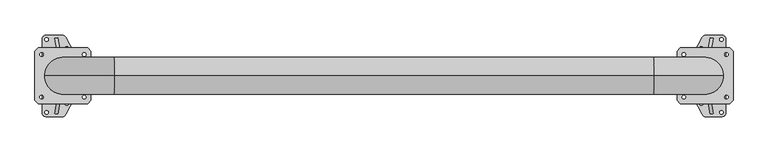
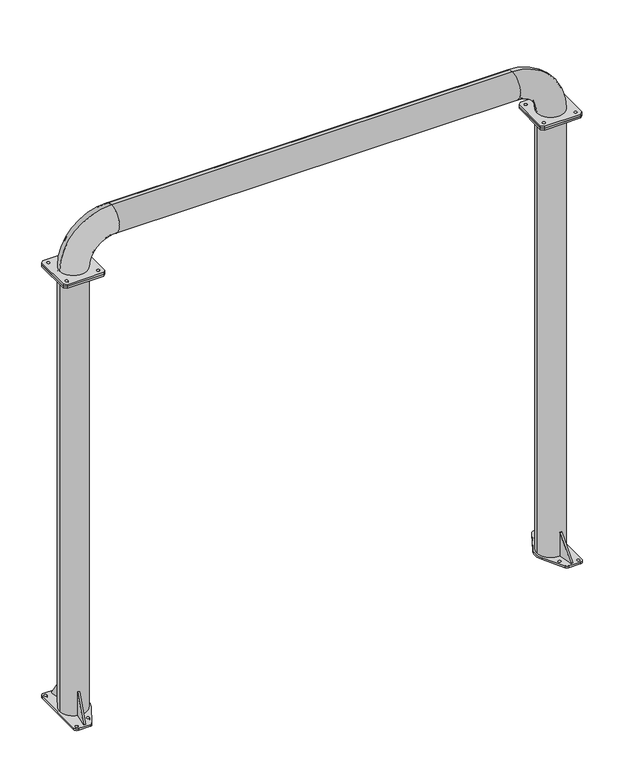
"""IFC4 building model written with IfcOpenShell, lengths in millimetres: proxy geometry."""

from ifc_helpers import new_model, si_unit, point, frame, frame_2d, origin, origin_with_axes, origin_2d, place, context, project, spatial, polyline, circle_curve, ellipse_curve, trimmed, segment, composite_curve, outline, extrude, source, transform, mapped, element, save
from ifc_brep_helpers import plane_surface, cylinder_surface, revolved_surface, advanced_brep


def generic_models_d700bc56(model_context):
    return source(origin(), model_context, "Body", "SolidModel", [
        extrude(outline(composite_curve([segment(polyline([(2869.9864553, 182.5), (2938.0, 182.5)]), True, "CONTINUOUS"), segment(trimmed(circle_curve(frame_2d((2938.0, 162.5)), 20.0), [point((2938.0, 182.5))], [point((2958.0, 162.5))], False, "CARTESIAN"), True, "CONTINUOUS"), segment(polyline([(2958.0, 162.5), (2958.0, -162.5)]), True, "CONTINUOUS"), segment(trimmed(circle_curve(frame_2d((2938.0, -162.5)), 20.0), [point((2958.0, -162.5))], [point((2938.0, -182.5))], False, "CARTESIAN"), True, "CONTINUOUS"), segment(polyline([(2938.0, -182.5), (2869.9347584, -182.5)]), True, "CONTINUOUS"), segment(trimmed(circle_curve(frame_2d((2869.9347584, -162.5)), 20.0), [point((2869.9347584, -182.5))], [point((2852.3436055, -172.0158468))], False, "CARTESIAN"), True, "CONTINUOUS"), segment(polyline([(2852.3436055, -172.0158468), (2784.6472441, -46.8712248)]), True, "CONTINUOUS"), segment(trimmed(circle_curve(frame_2d((2865.0, -0.0477839)), 93.0), [point((2784.6472441, -46.8712248))], [point((2784.6472441, 46.775657))], False, "CARTESIAN"), True, "CONTINUOUS"), segment(polyline([(2784.6472441, 46.775657), (2852.3953024, 172.0158468)]), True, "CONTINUOUS"), segment(trimmed(circle_curve(frame_2d((2869.9864553, 162.5)), 20.0), [point((2852.3953024, 172.0158468))], [point((2869.9864553, 182.5))], False, "CARTESIAN"), True, "CONTINUOUS")], self_intersect=False), holes=[composite_curve([segment(trimmed(circle_curve(frame_2d((2938.0, 162.5)), 8.0), [point((2930.0, 162.5))], [point((2946.0, 162.5))], True, "CARTESIAN"), True, "CONTINUOUS"), segment(trimmed(circle_curve(frame_2d((2938.0, 162.5)), 8.0), [point((2946.0, 162.5))], [point((2930.0, 162.5))], True, "CARTESIAN"), True, "CONTINUOUS")], self_intersect=False), composite_curve([segment(trimmed(circle_curve(frame_2d((2938.0, -162.5)), 8.0), [point((2930.0, -162.5))], [point((2946.0, -162.5))], True, "CARTESIAN"), True, "CONTINUOUS"), segment(trimmed(circle_curve(frame_2d((2938.0, -162.5)), 8.0), [point((2946.0, -162.5))], [point((2930.0, -162.5))], True, "CARTESIAN"), True, "CONTINUOUS")], self_intersect=False), composite_curve([segment(trimmed(circle_curve(frame_2d((2848.0, 123.0)), 8.0), [point((2840.0, 123.0))], [point((2856.0, 123.0))], True, "CARTESIAN"), True, "CONTINUOUS"), segment(trimmed(circle_curve(frame_2d((2848.0, 123.0)), 8.0), [point((2856.0, 123.0))], [point((2840.0, 123.0))], True, "CARTESIAN"), True, "CONTINUOUS")], self_intersect=False), composite_curve([segment(trimmed(circle_curve(frame_2d((2848.0, -123.0)), 8.0), [point((2840.0, -123.0))], [point((2856.0, -123.0))], True, "CARTESIAN"), True, "CONTINUOUS"), segment(trimmed(circle_curve(frame_2d((2848.0, -123.0)), 8.0), [point((2856.0, -123.0))], [point((2840.0, -123.0))], True, "CARTESIAN"), True, "CONTINUOUS")], self_intersect=False)]), origin_with_axes(), (0.0, 0.0, 1.0), 12.0),
        extrude(outline(composite_curve([segment(trimmed(circle_curve(frame_2d((-4.9864553, 162.5)), 20.0), [point((-4.9864553, 182.5))], [point((12.6046976, 172.0158468))], False, "CARTESIAN"), True, "CONTINUOUS"), segment(polyline([(12.6046976, 172.0158468), (80.3527559, 46.775657)]), True, "CONTINUOUS"), segment(trimmed(circle_curve(frame_2d((0.0, -0.0477839)), 93.0), [point((80.3527559, 46.775657))], [point((80.3527559, -46.8712248))], False, "CARTESIAN"), True, "CONTINUOUS"), segment(polyline([(80.3527559, -46.8712248), (12.6563945, -172.0158468)]), True, "CONTINUOUS"), segment(trimmed(circle_curve(frame_2d((-4.9347584, -162.5)), 20.0), [point((12.6563945, -172.0158468))], [point((-4.9347584, -182.5))], False, "CARTESIAN"), True, "CONTINUOUS"), segment(polyline([(-4.9347584, -182.5), (-73.0, -182.5)]), True, "CONTINUOUS"), segment(trimmed(circle_curve(frame_2d((-73.0, -162.5)), 20.0), [point((-73.0, -182.5))], [point((-93.0, -162.5))], False, "CARTESIAN"), True, "CONTINUOUS"), segment(polyline([(-93.0, -162.5), (-93.0, 162.5)]), True, "CONTINUOUS"), segment(trimmed(circle_curve(frame_2d((-73.0, 162.5)), 20.0), [point((-93.0, 162.5))], [point((-73.0, 182.5))], False, "CARTESIAN"), True, "CONTINUOUS"), segment(polyline([(-73.0, 182.5), (-4.9864553, 182.5)]), True, "CONTINUOUS")], self_intersect=False), holes=[composite_curve([segment(trimmed(circle_curve(frame_2d((17.0, 123.0)), 8.0), [point((9.0, 123.0))], [point((25.0, 123.0))], True, "CARTESIAN"), True, "CONTINUOUS"), segment(trimmed(circle_curve(frame_2d((17.0, 123.0)), 8.0), [point((25.0, 123.0))], [point((9.0, 123.0))], True, "CARTESIAN"), True, "CONTINUOUS")], self_intersect=False), composite_curve([segment(trimmed(circle_curve(frame_2d((17.0, -123.0)), 8.0), [point((9.0, -123.0))], [point((25.0, -123.0))], True, "CARTESIAN"), True, "CONTINUOUS"), segment(trimmed(circle_curve(frame_2d((17.0, -123.0)), 8.0), [point((25.0, -123.0))], [point((9.0, -123.0))], True, "CARTESIAN"), True, "CONTINUOUS")], self_intersect=False), composite_curve([segment(trimmed(circle_curve(frame_2d((-73.0, -162.5)), 8.0), [point((-81.0, -162.5))], [point((-65.0, -162.5))], True, "CARTESIAN"), True, "CONTINUOUS"), segment(trimmed(circle_curve(frame_2d((-73.0, -162.5)), 8.0), [point((-65.0, -162.5))], [point((-81.0, -162.5))], True, "CARTESIAN"), True, "CONTINUOUS")], self_intersect=False), composite_curve([segment(trimmed(circle_curve(frame_2d((-73.0, 162.5)), 8.0), [point((-81.0, 162.5))], [point((-65.0, 162.5))], True, "CARTESIAN"), True, "CONTINUOUS"), segment(trimmed(circle_curve(frame_2d((-73.0, 162.5)), 8.0), [point((-65.0, 162.5))], [point((-81.0, 162.5))], True, "CARTESIAN"), True, "CONTINUOUS")], self_intersect=False)]), origin_with_axes(), (0.0, 0.0, 1.0), 12.0),
        advanced_brep(
        [(2873.4197559, 82.0692251, 162.0), (2885.236419, 79.9796058, 162.0), (2885.2910421, 80.2893885, 162.0), (2873.473349, 82.3731666, 162.0), (2900.9193781, 168.9220863, 12.0), (2885.236419, 79.9796058, 12.0), (2873.4197559, 82.0692251, 12.0), (2889.101685, 171.0058644, 12.0)],
        [
            (0, 1, circle_curve(frame((2865.0, 0.0, 162.0), z_axis=(0.0, 0.0, -1.0), x_axis=(-1.0, 0.0, 0.0)), 82.5)),
            (1, 2),
            (2, 3),
            (3, 0),
            (4, 5),
            (5, 6, circle_curve(frame((2865.0, 0.0, 12.0), z_axis=(0.0, 0.0, 1.0), x_axis=(-1.0, 0.0, 0.0)), 82.5)),
            (6, 7),
            (7, 4),
            (6, 0),
            (3, 7),
            (5, 1),
            (4, 2),
        ],
        [
            plane_surface(frame((2900.9193781, 168.9220863, 162.0), z_axis=(0.0, 0.0, 1.0), x_axis=(-0.9848077530122148, 0.17364817766689236, 0.0))),
            plane_surface(frame((2900.9193781, 168.9220863, 12.0), z_axis=(0.0, 0.0, -1.0), x_axis=(0.9848077530122148, -0.17364817766689236, 0.0))),
            plane_surface(frame((2889.101685, 171.0058644, 162.0), z_axis=(-0.9848077530122155, 0.1736481776668888, 0.0), x_axis=(0.0, 0.0, -1.0))),
            revolved_surface(polyline([(2782.5, 0.0, 12.0), (2782.5, 0.0, 162.0)]), (2865.0, 0.0, 12.0), (0.0, 0.0, -1.0)),
            plane_surface(frame((2885.236419, 79.9796058, 162.0), z_axis=(0.984807753012214, -0.17364817766689697, 0.0), x_axis=(0.0, 0.0, -1.0))),
            plane_surface(frame((2889.101685, 171.0058644, 12.0), z_axis=(0.1489020839122364, 0.844465681394839, 0.5144957554275291), x_axis=(0.9848077530122148, -0.17364817766689236, 0.0))),
        ],
        [
            (0, [[1, 2, 3, 4]]),
            (1, [[5, 6, 7, 8]]),
            (2, [[-7, 9, -4, 10]]),
            (3, [[-1, -9, -6, 11]]),
            (4, [[-5, 12, -2, -11]]),
            (5, [[-3, -12, -8, -10]]),
        ],
    ),
        advanced_brep(
        [(2885.236419, -79.9796058, 162.0), (2873.4197559, -82.0692251, 162.0), (2873.473349, -82.3731666, 162.0), (2885.2910421, -80.2893885, 162.0), (2873.4197559, -82.0692251, 12.0), (2885.236419, -79.9796058, 12.0), (2900.9193781, -168.9220863, 12.0), (2889.101685, -171.0058644, 12.0)],
        [
            (0, 1, circle_curve(frame((2865.0, 0.0, 162.0), z_axis=(0.0, 0.0, -1.0), x_axis=(-1.0, 0.0, 0.0)), 82.5)),
            (1, 2),
            (2, 3),
            (3, 0),
            (4, 5, circle_curve(frame((2865.0, 0.0, 12.0), z_axis=(0.0, 0.0, 1.0), x_axis=(-1.0, 0.0, 0.0)), 82.5)),
            (5, 6),
            (6, 7),
            (7, 4),
            (7, 2),
            (1, 4),
            (5, 0),
            (3, 6),
        ],
        [
            plane_surface(frame((2900.9193781, 168.9220863, 162.0), z_axis=(0.0, 0.0, 1.0), x_axis=(-0.9848077530122148, 0.17364817766689236, 0.0))),
            plane_surface(frame((2900.9193781, 168.9220863, 12.0), z_axis=(0.0, 0.0, -1.0), x_axis=(0.9848077530122148, -0.17364817766689236, 0.0))),
            plane_surface(frame((2873.4197559, -82.0692251, 162.0), z_axis=(-0.9848077530121984, -0.1736481776669853, 0.0), x_axis=(0.0, 0.0, -1.0))),
            plane_surface(frame((2900.9193781, -168.9220863, 162.0), z_axis=(0.9848077530121973, 0.17364817766699203, 0.0), x_axis=(0.0, 0.0, -1.0))),
            revolved_surface(polyline([(2782.5, 0.0, 12.0), (2782.5, 0.0, 162.0)]), (2865.0, 0.0, 12.0), (0.0, 0.0, -1.0)),
            plane_surface(frame((2900.9193781, -168.9220863, 12.0), z_axis=(0.14890208391232132, -0.8444656813948246, 0.5144957554275283), x_axis=(-0.9848077530121974, -0.17364817766699134, 0.0))),
        ],
        [
            (0, [[1, 2, 3, 4]]),
            (1, [[5, 6, 7, 8]]),
            (2, [[-8, 9, -2, 10]]),
            (3, [[-6, 11, -4, 12]]),
            (4, [[-1, -11, -5, -10]]),
            (5, [[-3, -9, -7, -12]]),
        ],
    ),
        extrude(outline(polyline([(-1593.0072814, 0.0), (-1503.0072813, 0.0), (-1503.0072813, -150.0), (-1593.0072814, 0.0)])), frame((252.5773473, 1397.8846948, 12.0), z_axis=(-0.9848077530122081, 0.1736481776669302, 0.0), x_axis=(0.1736481776669302, 0.9848077530122081, 0.0)), (0.0, 0.0, 1.0), 12.0),
        extrude(outline(polyline([(-5508.8576415, 0.0), (-5358.8576415, 0.0), (-5508.8576415, -89.9999999), (-5508.8576415, 0.0)])), frame((-20.2348212, 80.2047506, 5520.8576415), z_axis=(0.9848077530122084, 0.17364817766692878, 0.0), x_axis=(0.0, 0.0, 1.0)), (0.0, 0.0, 1.0), 12.0),
        advanced_brep(
        [(82.5, 0.0, 2803.5), (-82.5, 0.0, 2803.5), (78.5, 0.0, 2803.5), (-78.5, 0.0, 2803.5), (229.0, 0.0, 3115.0), (229.0, 0.0, 2950.0), (229.0, 0.0, 3111.0), (229.0, 0.0, 2954.0), (2636.0, 0.0, 2950.0), (2636.0, 0.0, 3115.0), (2636.0, 0.0, 2954.0), (2636.0, 0.0, 3111.0), (2782.5, 0.0, 2803.5), (2947.5, 0.0, 2803.5), (2786.5, 0.0, 2803.5), (2943.5, 0.0, 2803.5)],
        [
            (0, 1, circle_curve(frame((0.0, 0.0, 2803.5), z_axis=(0.0, 0.0, -1.0), x_axis=(-1.0, 0.0, 0.0)), 82.5)),
            (1, 0, circle_curve(frame((0.0, 0.0, 2803.5), z_axis=(0.0, 0.0, -1.0), x_axis=(-1.0, 0.0, 0.0)), 82.5)),
            (2, 3, circle_curve(frame((0.0, 0.0, 2803.5), z_axis=(0.0, 0.0, 1.0), x_axis=(-1.0, 0.0, 0.0)), 78.5)),
            (3, 2, circle_curve(frame((0.0, 0.0, 2803.5), z_axis=(0.0, 0.0, 1.0), x_axis=(-1.0, 0.0, 0.0)), 78.5)),
            (4, 1, circle_curve(frame((229.0, 0.0, 2803.5), z_axis=(0.0, -1.0, 0.0), x_axis=(-1.0, 0.0, 0.0)), 311.5)),
            (0, 5, circle_curve(frame((229.0, 0.0, 2803.5), z_axis=(0.0, 1.0, 0.0), x_axis=(-1.0, 0.0, 0.0)), 146.5)),
            (5, 4, circle_curve(frame((229.0, 0.0, 3032.5), z_axis=(-1.0, 0.0, 0.0), x_axis=(0.0, 0.0, 1.0)), 82.5)),
            (4, 5, circle_curve(frame((229.0, 0.0, 3032.5), z_axis=(-1.0, 0.0, 0.0), x_axis=(0.0, 0.0, 1.0)), 82.5)),
            (6, 3, circle_curve(frame((229.0, 0.0, 2803.5), z_axis=(0.0, -1.0, 0.0), x_axis=(-1.0, 0.0, 0.0)), 307.5)),
            (2, 7, circle_curve(frame((229.0, 0.0, 2803.5), z_axis=(0.0, 1.0, 0.0), x_axis=(-1.0, 0.0, 0.0)), 150.5)),
            (7, 6, circle_curve(frame((229.0, 0.0, 3032.5), z_axis=(1.0, 0.0, 0.0), x_axis=(0.0, 0.0, 1.0)), 78.5)),
            (6, 7, circle_curve(frame((229.0, 0.0, 3032.5), z_axis=(1.0, 0.0, 0.0), x_axis=(0.0, 0.0, 1.0)), 78.5)),
            (5, 8),
            (8, 9, circle_curve(frame((2636.0, 0.0, 3032.5), z_axis=(-1.0, 0.0, 0.0), x_axis=(0.0, 0.0, 1.0)), 82.5)),
            (9, 4),
            (9, 8, circle_curve(frame((2636.0, 0.0, 3032.5), z_axis=(-1.0, 0.0, 0.0), x_axis=(0.0, 0.0, 1.0)), 82.5)),
            (7, 10),
            (10, 11, circle_curve(frame((2636.0, 0.0, 3032.5), z_axis=(1.0, 0.0, 0.0), x_axis=(0.0, 0.0, 1.0)), 78.5)),
            (11, 6),
            (11, 10, circle_curve(frame((2636.0, 0.0, 3032.5), z_axis=(1.0, 0.0, 0.0), x_axis=(0.0, 0.0, 1.0)), 78.5)),
            (12, 13, circle_curve(frame((2865.0, 0.0, 2803.5), z_axis=(0.0, 0.0, -1.0), x_axis=(1.0, 0.0, 0.0)), 82.5)),
            (13, 12, circle_curve(frame((2865.0, 0.0, 2803.5), z_axis=(0.0, 0.0, -1.0), x_axis=(1.0, 0.0, 0.0)), 82.5)),
            (14, 15, circle_curve(frame((2865.0, 0.0, 2803.5), z_axis=(0.0, 0.0, 1.0), x_axis=(1.0, 0.0, 0.0)), 78.5)),
            (15, 14, circle_curve(frame((2865.0, 0.0, 2803.5), z_axis=(0.0, 0.0, 1.0), x_axis=(1.0, 0.0, 0.0)), 78.5)),
            (13, 9, circle_curve(frame((2636.0, 0.0, 2803.5), z_axis=(0.0, -1.0, 0.0), x_axis=(0.0, 0.0, 1.0)), 311.5)),
            (8, 12, circle_curve(frame((2636.0, 0.0, 2803.5), z_axis=(0.0, 1.0, 0.0), x_axis=(0.0, 0.0, 1.0)), 146.5)),
            (15, 11, circle_curve(frame((2636.0, 0.0, 2803.5), z_axis=(0.0, -1.0, 0.0), x_axis=(0.0, 0.0, 1.0)), 307.5)),
            (10, 14, circle_curve(frame((2636.0, 0.0, 2803.5), z_axis=(0.0, 1.0, 0.0), x_axis=(0.0, 0.0, 1.0)), 150.5)),
        ],
        [
            plane_surface(frame((0.0, 0.0, 2803.5), z_axis=(0.0, 0.0, -1.0), x_axis=(0.0, -1.0, 0.0))),
            revolved_surface(trimmed(ellipse_curve(frame((0.0, 0.0, 2803.5), z_axis=(0.0, 0.0, -1.0), x_axis=(-1.0, 0.0, 0.0)), 82.5, 82.5), [point((82.5, 0.0, 2803.5))], [point((-82.5, 0.0, 2803.5))], True, "CARTESIAN"), (229.0, 0.0, 2803.5), (0.0, 1.0, 0.0)),
            revolved_surface(trimmed(ellipse_curve(frame((0.0, 0.0, 2803.5), z_axis=(0.0, 0.0, -1.0), x_axis=(-1.0, 0.0, 0.0)), 82.5, 82.5), [point((-82.5, 0.0, 2803.5))], [point((82.5, 0.0, 2803.5))], True, "CARTESIAN"), (229.0, 0.0, 2803.5), (0.0, 1.0, 0.0)),
            revolved_surface(trimmed(ellipse_curve(frame((0.0, 0.0, 2803.5), z_axis=(0.0, 0.0, 1.0), x_axis=(-1.0, 0.0, 0.0)), 78.5, 78.5), [point((78.5, 0.0, 2803.5))], [point((-78.5, 0.0, 2803.5))], True, "CARTESIAN"), (229.0, 0.0, 2803.5), (0.0, 1.0, 0.0)),
            revolved_surface(trimmed(ellipse_curve(frame((0.0, 0.0, 2803.5), z_axis=(0.0, 0.0, 1.0), x_axis=(-1.0, 0.0, 0.0)), 78.5, 78.5), [point((-78.5, 0.0, 2803.5))], [point((78.5, 0.0, 2803.5))], True, "CARTESIAN"), (229.0, 0.0, 2803.5), (0.0, 1.0, 0.0)),
            cylinder_surface(frame((229.0, 0.0, 3032.5), z_axis=(-1.0, 0.0, 0.0), x_axis=(0.0, 0.0, 1.0)), 82.5),
            revolved_surface(polyline([(2636.0, 0.0, 3111.0), (229.0, 0.0, 3111.0)]), (229.0, 0.0, 3032.5), (1.0, 0.0, 0.0)),
            plane_surface(frame((2865.0, 0.0, 2803.5), z_axis=(0.0, 0.0, -1.0), x_axis=(0.0, -1.0, 0.0))),
            revolved_surface(trimmed(ellipse_curve(frame((2636.0, 0.0, 3032.5), z_axis=(-1.0, 0.0, 0.0), x_axis=(0.0, 0.0, 1.0)), 82.5, 82.5), [point((2636.0, 0.0, 2950.0))], [point((2636.0, 0.0, 3115.0))], True, "CARTESIAN"), (2636.0, 0.0, 2803.5), (0.0, 1.0, 0.0)),
            revolved_surface(trimmed(ellipse_curve(frame((2636.0, 0.0, 3032.5), z_axis=(-1.0, 0.0, 0.0), x_axis=(0.0, 0.0, 1.0)), 82.5, 82.5), [point((2636.0, 0.0, 3115.0))], [point((2636.0, 0.0, 2950.0))], True, "CARTESIAN"), (2636.0, 0.0, 2803.5), (0.0, 1.0, 0.0)),
            revolved_surface(trimmed(ellipse_curve(frame((2636.0, 0.0, 3032.5), z_axis=(1.0, 0.0, 0.0), x_axis=(0.0, 0.0, 1.0)), 78.5, 78.5), [point((2636.0, 0.0, 2954.0))], [point((2636.0, 0.0, 3111.0))], True, "CARTESIAN"), (2636.0, 0.0, 2803.5), (0.0, 1.0, 0.0)),
            revolved_surface(trimmed(ellipse_curve(frame((2636.0, 0.0, 3032.5), z_axis=(1.0, 0.0, 0.0), x_axis=(0.0, 0.0, 1.0)), 78.5, 78.5), [point((2636.0, 0.0, 3111.0))], [point((2636.0, 0.0, 2954.0))], True, "CARTESIAN"), (2636.0, 0.0, 2803.5), (0.0, 1.0, 0.0)),
        ],
        [
            (0, [[1, 2], [3, 4]]),
            (1, [[5, -1, 6, 7]]),
            (2, [[-6, -2, -5, 8]]),
            (3, [[9, -3, 10, 11]]),
            (4, [[-10, -4, -9, 12]]),
            (5, [[-7, 13, 14, 15]]),
            (5, [[-8, -15, 16, -13]]),
            (6, [[-11, 17, 18, 19]]),
            (6, [[-12, -19, 20, -17]]),
            (7, [[21, 22], [23, 24]]),
            (8, [[25, -14, 26, -22]]),
            (9, [[-26, -16, -25, -21]]),
            (10, [[27, -18, 28, -24]]),
            (11, [[-28, -20, -27, -23]]),
        ],
    ),
        extrude(outline(polyline([(110.0, 125.0), (125.0, 110.0), (125.0, -110.0), (110.0, -125.0), (-110.0, -125.0), (-125.0, -110.0), (-125.0, 110.0), (-110.0, 125.0), (110.0, 125.0)]), holes=[composite_curve([segment(trimmed(circle_curve(frame_2d((-95.0, 95.0)), 8.0), [point((-103.0, 95.0))], [point((-87.0, 95.0))], True, "CARTESIAN"), True, "CONTINUOUS"), segment(trimmed(circle_curve(frame_2d((-95.0, 95.0)), 8.0), [point((-87.0, 95.0))], [point((-103.0, 95.0))], True, "CARTESIAN"), True, "CONTINUOUS")], self_intersect=False), composite_curve([segment(trimmed(circle_curve(frame_2d((95.0, 95.0)), 8.0), [point((87.0, 95.0))], [point((103.0, 95.0))], True, "CARTESIAN"), True, "CONTINUOUS"), segment(trimmed(circle_curve(frame_2d((95.0, 95.0)), 8.0), [point((103.0, 95.0))], [point((87.0, 95.0))], True, "CARTESIAN"), True, "CONTINUOUS")], self_intersect=False), composite_curve([segment(trimmed(circle_curve(frame_2d((95.0, -95.0)), 8.0), [point((87.0, -95.0))], [point((103.0, -95.0))], True, "CARTESIAN"), True, "CONTINUOUS"), segment(trimmed(circle_curve(frame_2d((95.0, -95.0)), 8.0), [point((103.0, -95.0))], [point((87.0, -95.0))], True, "CARTESIAN"), True, "CONTINUOUS")], self_intersect=False), composite_curve([segment(trimmed(circle_curve(frame_2d((-95.0, -95.0)), 8.0), [point((-103.0, -95.0))], [point((-87.0, -95.0))], True, "CARTESIAN"), True, "CONTINUOUS"), segment(trimmed(circle_curve(frame_2d((-95.0, -95.0)), 8.0), [point((-87.0, -95.0))], [point((-103.0, -95.0))], True, "CARTESIAN"), True, "CONTINUOUS")], self_intersect=False)]), frame((0.0, 0.0, 2792.0), z_axis=(0.0, 0.0, 1.0), x_axis=(1.0, 0.0, 0.0)), (0.0, 0.0, 1.0), 12.0),
        extrude(outline(polyline([(2740.0, -110.0), (2740.0, 110.0), (2755.0, 125.0), (2975.0, 125.0), (2990.0, 110.0), (2990.0, -110.0), (2975.0, -125.0), (2755.0, -125.0), (2740.0, -110.0)]), holes=[composite_curve([segment(trimmed(circle_curve(frame_2d((2770.0, 95.0)), 8.0), [point((2778.0, 95.0))], [point((2762.0, 95.0))], True, "CARTESIAN"), True, "CONTINUOUS"), segment(trimmed(circle_curve(frame_2d((2770.0, 95.0)), 8.0), [point((2762.0, 95.0))], [point((2778.0, 95.0))], True, "CARTESIAN"), True, "CONTINUOUS")], self_intersect=False), composite_curve([segment(trimmed(circle_curve(frame_2d((2960.0, 95.0)), 8.0), [point((2952.0, 95.0))], [point((2968.0, 95.0))], True, "CARTESIAN"), True, "CONTINUOUS"), segment(trimmed(circle_curve(frame_2d((2960.0, 95.0)), 8.0), [point((2968.0, 95.0))], [point((2952.0, 95.0))], True, "CARTESIAN"), True, "CONTINUOUS")], self_intersect=False), composite_curve([segment(trimmed(circle_curve(frame_2d((2770.0, -95.0)), 8.0), [point((2762.0, -95.0))], [point((2778.0, -95.0))], True, "CARTESIAN"), True, "CONTINUOUS"), segment(trimmed(circle_curve(frame_2d((2770.0, -95.0)), 8.0), [point((2778.0, -95.0))], [point((2762.0, -95.0))], True, "CARTESIAN"), True, "CONTINUOUS")], self_intersect=False), composite_curve([segment(trimmed(circle_curve(frame_2d((2960.0, -95.0)), 8.0), [point((2952.0, -95.0))], [point((2968.0, -95.0))], True, "CARTESIAN"), True, "CONTINUOUS"), segment(trimmed(circle_curve(frame_2d((2960.0, -95.0)), 8.0), [point((2968.0, -95.0))], [point((2952.0, -95.0))], True, "CARTESIAN"), True, "CONTINUOUS")], self_intersect=False)]), frame((0.0, 0.0, 2792.0), z_axis=(0.0, 0.0, 1.0), x_axis=(1.0, 0.0, 0.0)), (0.0, 0.0, 1.0), 12.0),
        extrude(outline(polyline([(125.0, -110.0), (110.0, -125.0), (-110.0, -125.0), (-125.0, -110.0), (-125.0, 110.0), (-110.0, 125.0), (110.0, 125.0), (125.0, 110.0), (125.0, -110.0)]), holes=[composite_curve([segment(trimmed(circle_curve(frame_2d((-95.0, 95.0)), 8.0), [point((-103.0, 95.0))], [point((-87.0, 95.0))], True, "CARTESIAN"), True, "CONTINUOUS"), segment(trimmed(circle_curve(frame_2d((-95.0, 95.0)), 8.0), [point((-87.0, 95.0))], [point((-103.0, 95.0))], True, "CARTESIAN"), True, "CONTINUOUS")], self_intersect=False), composite_curve([segment(trimmed(circle_curve(frame_2d((95.0, 95.0)), 8.0), [point((87.0, 95.0))], [point((103.0, 95.0))], True, "CARTESIAN"), True, "CONTINUOUS"), segment(trimmed(circle_curve(frame_2d((95.0, 95.0)), 8.0), [point((103.0, 95.0))], [point((87.0, 95.0))], True, "CARTESIAN"), True, "CONTINUOUS")], self_intersect=False), composite_curve([segment(trimmed(circle_curve(frame_2d((-95.0, -95.0)), 8.0), [point((-103.0, -95.0))], [point((-87.0, -95.0))], True, "CARTESIAN"), True, "CONTINUOUS"), segment(trimmed(circle_curve(frame_2d((-95.0, -95.0)), 8.0), [point((-87.0, -95.0))], [point((-103.0, -95.0))], True, "CARTESIAN"), True, "CONTINUOUS")], self_intersect=False), composite_curve([segment(trimmed(circle_curve(frame_2d((95.0, -95.0)), 8.0), [point((87.0, -95.0))], [point((103.0, -95.0))], True, "CARTESIAN"), True, "CONTINUOUS"), segment(trimmed(circle_curve(frame_2d((95.0, -95.0)), 8.0), [point((103.0, -95.0))], [point((87.0, -95.0))], True, "CARTESIAN"), True, "CONTINUOUS")], self_intersect=False)]), frame((0.0, 0.0, 2780.0), z_axis=(0.0, 0.0, 1.0), x_axis=(1.0, 0.0, 0.0)), (0.0, 0.0, 1.0), 12.0),
        extrude(outline(polyline([(2740.0, -110.0), (2740.0, 110.0), (2755.0, 125.0), (2975.0, 125.0), (2990.0, 110.0), (2990.0, -110.0), (2975.0, -125.0), (2755.0, -125.0), (2740.0, -110.0)]), holes=[composite_curve([segment(trimmed(circle_curve(frame_2d((2770.0, 95.0)), 10.5), [point((2759.5, 95.0))], [point((2780.5, 95.0))], True, "CARTESIAN"), True, "CONTINUOUS"), segment(trimmed(circle_curve(frame_2d((2770.0, 95.0)), 10.5), [point((2780.5, 95.0))], [point((2759.5, 95.0))], True, "CARTESIAN"), True, "CONTINUOUS")], self_intersect=False), composite_curve([segment(trimmed(circle_curve(frame_2d((2960.0, 95.0)), 8.0), [point((2952.0, 95.0))], [point((2968.0, 95.0))], True, "CARTESIAN"), True, "CONTINUOUS"), segment(trimmed(circle_curve(frame_2d((2960.0, 95.0)), 8.0), [point((2968.0, 95.0))], [point((2952.0, 95.0))], True, "CARTESIAN"), True, "CONTINUOUS")], self_intersect=False), composite_curve([segment(trimmed(circle_curve(frame_2d((2770.0, -95.0)), 10.5), [point((2759.5, -95.0))], [point((2780.5, -95.0))], True, "CARTESIAN"), True, "CONTINUOUS"), segment(trimmed(circle_curve(frame_2d((2770.0, -95.0)), 10.5), [point((2780.5, -95.0))], [point((2759.5, -95.0))], True, "CARTESIAN"), True, "CONTINUOUS")], self_intersect=False), composite_curve([segment(trimmed(circle_curve(frame_2d((2960.0, -95.0)), 8.0), [point((2952.0, -95.0))], [point((2968.0, -95.0))], True, "CARTESIAN"), True, "CONTINUOUS"), segment(trimmed(circle_curve(frame_2d((2960.0, -95.0)), 8.0), [point((2968.0, -95.0))], [point((2952.0, -95.0))], True, "CARTESIAN"), True, "CONTINUOUS")], self_intersect=False)]), frame((0.0, 0.0, 2780.0), z_axis=(0.0, 0.0, 1.0), x_axis=(1.0, 0.0, 0.0)), (0.0, 0.0, 1.0), 12.0),
        extrude(outline(composite_curve([segment(trimmed(circle_curve(origin_2d(), 82.5), [point((82.5, 0.0))], [point((-82.5, 0.0))], False, "CARTESIAN"), True, "CONTINUOUS"), segment(trimmed(circle_curve(origin_2d(), 82.5), [point((-82.5, 0.0))], [point((82.5, 0.0))], False, "CARTESIAN"), True, "CONTINUOUS")], self_intersect=False), holes=[composite_curve([segment(trimmed(circle_curve(origin_2d(), 78.5), [point((78.5, 0.0))], [point((-78.5, 0.0))], True, "CARTESIAN"), True, "CONTINUOUS"), segment(trimmed(circle_curve(origin_2d(), 78.5), [point((-78.5, 0.0))], [point((78.5, 0.0))], True, "CARTESIAN"), True, "CONTINUOUS")], self_intersect=False)]), frame((0.0, 0.0, 12.0), z_axis=(0.0, 0.0, 1.0), x_axis=(1.0, 0.0, 0.0)), (0.0, 0.0, 1.0), 2768.0),
        extrude(outline(composite_curve([segment(trimmed(circle_curve(frame_2d((2865.0, 0.0)), 82.5), [point((2947.5, 0.0))], [point((2782.5, 0.0))], False, "CARTESIAN"), True, "CONTINUOUS"), segment(trimmed(circle_curve(frame_2d((2865.0, 0.0)), 82.5), [point((2782.5, 0.0))], [point((2947.5, 0.0))], False, "CARTESIAN"), True, "CONTINUOUS")], self_intersect=False), holes=[composite_curve([segment(trimmed(circle_curve(frame_2d((2865.0, 0.0)), 78.5), [point((2943.5, 0.0))], [point((2786.5, 0.0))], True, "CARTESIAN"), True, "CONTINUOUS"), segment(trimmed(circle_curve(frame_2d((2865.0, 0.0)), 78.5), [point((2786.5, 0.0))], [point((2943.5, 0.0))], True, "CARTESIAN"), True, "CONTINUOUS")], self_intersect=False)]), frame((0.0, 0.0, 12.0), z_axis=(0.0, 0.0, 1.0), x_axis=(1.0, 0.0, 0.0)), (0.0, 0.0, 1.0), 2768.0),
    ])


if __name__ == "__main__":
    model = new_model("IFC4")
    model_context = context("Model", 3, world=origin())
    ifc_project = project(units=[si_unit("LENGTHUNIT", "METRE", prefix="MILLI")], contexts=[model_context])
    site = spatial("IfcSite", under=ifc_project)
    building = spatial("IfcBuilding", under=site)
    placement = place(None, origin())
    generic_models_shape = generic_models_d700bc56(model_context)
    element("IfcBuildingElementProxy", 1, Name="Generic Models", at=placement, inside=building, context=model_context, shape_type="MappedRepresentation", body=[
        mapped(generic_models_shape, transform((0.0, 0.0, 0.0), x_axis=(1.0, 0.0, 0.0), y_axis=(0.0, 1.0, 0.0), z_axis=(0.0, 0.0, 1.0))),
    ])
    save(model, "model.ifc")
